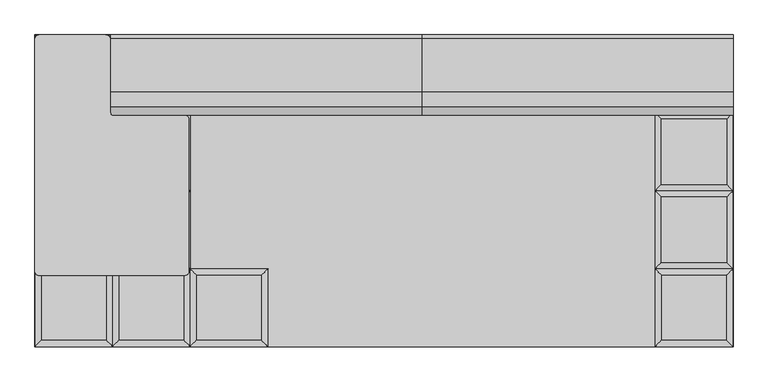
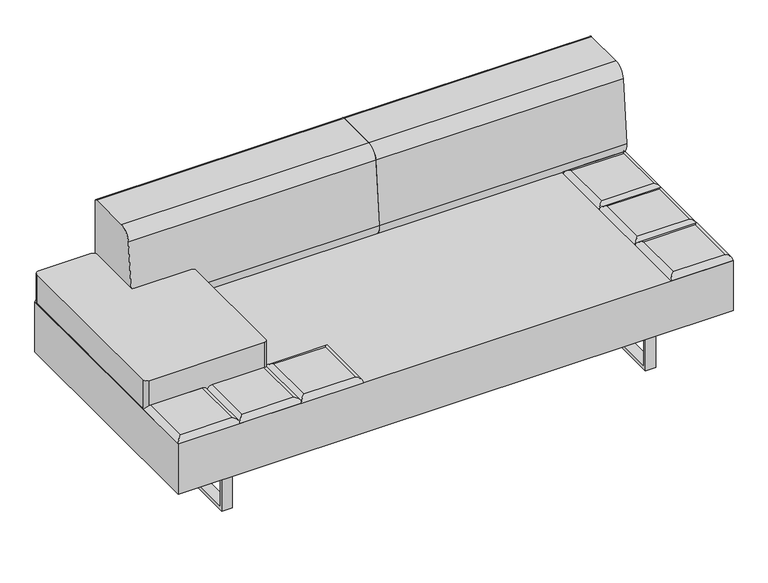
"""IFC4 building model written with IfcOpenShell, lengths in millimetres: furniture geometry."""

import ifcopenshell
import ifcopenshell.guid

model = None  # the IFC model being written
_history = None  # IfcOwnerHistory: only IFC2X3 demands one
_inside = {}  # id of a spatial element -> (the spatial element, [elements in it])
_under = {}  # id of a project, library or spatial element -> (it, [spatial elements below it])
_declared = {}  # id of a project -> (the project, [libraries it declares])
_typed = {}  # id of a type object -> (the type object, [elements of that type])
_made_of = {}  # id of a material, layer set ... -> (it, [elements and type objects made of it])


def new_model(schema):
    """Start an empty IFC model of exactly this schema.

    Asked for "IFC4X3", IfcOpenShell would pick the latest addendum, in which some entities
    have other attributes; the version numbers below select the first issue.
    IFC2X3 requires an IfcOwnerHistory on every rooted entity: one is made here for all.
    """
    global model, _history
    if schema == "IFC4X3":
        model = ifcopenshell.file(schema_version=(4, 3, 0, 0))
    else:
        model = ifcopenshell.file(schema=schema)
    _inside.clear()
    _under.clear()
    _declared.clear()
    _typed.clear()
    _made_of.clear()
    _history = None
    if model.schema == "IFC2X3":
        org = make("IfcOrganization", Name="unknown")
        user = make(
            "IfcPersonAndOrganization",
            ThePerson=make("IfcPerson", FamilyName="unknown"),
            TheOrganization=org,
        )
        app = make(
            "IfcApplication",
            ApplicationDeveloper=org,
            Version="unknown",
            ApplicationFullName="unknown",
            ApplicationIdentifier="unknown",
        )
        _history = make(
            "IfcOwnerHistory",
            OwningUser=user,
            OwningApplication=app,
            ChangeAction="ADDED",
            CreationDate=0,
        )
    return model


def make(cls, **values):
    """One entity of the class cls with the attributes given. An attribute that is None is left unset."""
    return model.create_entity(
        cls, **{name: value for name, value in values.items() if value is not None}
    )


def rooted(cls, **values):
    """An entity with a GlobalId (a new one), such as an element, a storey or a relation."""
    return make(cls, GlobalId=ifcopenshell.guid.new(), OwnerHistory=_history, **values)


def si_unit(unit_type, name, prefix=None):
    """IfcSIUnit, for example si_unit("LENGTHUNIT", "METRE", prefix="MILLI")."""
    return make("IfcSIUnit", UnitType=unit_type, Prefix=prefix, Name=name)


def assignment(units):
    """IfcUnitAssignment: the units of a project."""
    return None if units is None else make("IfcUnitAssignment", Units=units)


def point(xyz):
    """IfcCartesianPoint."""
    return None if xyz is None else make("IfcCartesianPoint", Coordinates=xyz)


def direction(xyz):
    """IfcDirection."""
    return None if xyz is None else make("IfcDirection", DirectionRatios=xyz)


def frame(location, z_axis=None, x_axis=None):
    """IfcAxis2Placement3D, a coordinate frame: its origin and axes. An axis left out is left unset."""
    return make(
        "IfcAxis2Placement3D",
        Location=point(location),
        Axis=direction(z_axis),
        RefDirection=direction(x_axis),
    )


def frame_2d(location, x_axis=None):
    """IfcAxis2Placement2D, a coordinate frame in the plane: its origin and x axis."""
    return make(
        "IfcAxis2Placement2D", Location=point(location), RefDirection=direction(x_axis)
    )


def origin():
    """The frame at (0, 0, 0) with its axes left unset."""
    return frame((0.0, 0.0, 0.0))


def place(relative_to, where):
    """IfcLocalPlacement: puts the frame where relative to a parent placement (None: the world)."""
    return make(
        "IfcLocalPlacement", PlacementRelTo=relative_to, RelativePlacement=where
    )


def context(
    kind, dimensions, precision=None, world=None, true_north=None, identifier=None
):
    """IfcGeometricRepresentationContext, for example the 3D "Model" context."""
    return make(
        "IfcGeometricRepresentationContext",
        ContextIdentifier=identifier,
        ContextType=kind,
        CoordinateSpaceDimension=dimensions,
        Precision=precision,
        WorldCoordinateSystem=world,
        TrueNorth=true_north,
    )


def project(units=None, contexts=None):
    """IfcProject with its units and contexts."""
    return rooted(
        "IfcProject",
        Name="project",
        RepresentationContexts=contexts,
        UnitsInContext=assignment(units),
    )


def spatial(cls, under=None, at=None, **own):
    """A site, building, storey or space (cls), placed at a placement, below another one or the project."""
    s = rooted(cls, ObjectPlacement=at, **own)
    if under is not None:
        _under.setdefault(under.id(), (under, []))[1].append(s)
    return s


def polyline(points):
    """IfcPolyline through the points."""
    return make("IfcPolyline", Points=[point(p) for p in points])


def circle_curve(where, radius):
    """IfcCircle in the frame where."""
    return make("IfcCircle", Position=where, Radius=radius)


def ellipse_curve(where, semi_axis1, semi_axis2):
    """IfcEllipse in the frame where."""
    return make(
        "IfcEllipse", Position=where, SemiAxis1=semi_axis1, SemiAxis2=semi_axis2
    )


def trimmed(basis, trim1, trim2, sense, master):
    """IfcTrimmedCurve: the piece of a basis curve between two trims."""
    return make(
        "IfcTrimmedCurve",
        BasisCurve=basis,
        Trim1=trim1,
        Trim2=trim2,
        SenseAgreement=sense,
        MasterRepresentation=master,
    )


def segment(curve, same_sense, transition):
    """IfcCompositeCurveSegment."""
    return make(
        "IfcCompositeCurveSegment",
        Transition=transition,
        SameSense=same_sense,
        ParentCurve=curve,
    )


def composite_curve(segments, self_intersect=None):
    """IfcCompositeCurve: segments joined end to end."""
    return make("IfcCompositeCurve", Segments=segments, SelfIntersect=self_intersect)


def outline(outer, holes=None, kind="AREA"):
    """IfcArbitraryClosedProfileDef: a profile drawn as a closed curve; with holes, ...WithVoids."""
    if holes is None:
        return make("IfcArbitraryClosedProfileDef", ProfileType=kind, OuterCurve=outer)
    return make(
        "IfcArbitraryProfileDefWithVoids",
        ProfileType=kind,
        OuterCurve=outer,
        InnerCurves=holes,
    )


def extrude(swept, where, along, depth):
    """IfcExtrudedAreaSolid: the profile swept, set in the frame where, extruded along a direction by depth."""
    return make(
        "IfcExtrudedAreaSolid",
        SweptArea=swept,
        Position=where,
        ExtrudedDirection=direction(along),
        Depth=depth,
    )


def shape(context_of_items, identifier, shape_type, items):
    """IfcShapeRepresentation: the items that make up one representation, for example the "Body"."""
    return make(
        "IfcShapeRepresentation",
        ContextOfItems=context_of_items,
        RepresentationIdentifier=identifier,
        RepresentationType=shape_type,
        Items=items,
    )


def source(mapping_origin, context_of_items, identifier, shape_type, items):
    """IfcRepresentationMap: a shape defined once, which mapped items show again and again."""
    return make(
        "IfcRepresentationMap",
        MappingOrigin=mapping_origin,
        MappedRepresentation=shape(context_of_items, identifier, shape_type, items),
    )


def transform(
    local_origin,
    x_axis=None,
    y_axis=None,
    z_axis=None,
    scale=None,
    scale2=None,
    scale3=None,
    uniform=True,
):
    """IfcCartesianTransformationOperator3D, or its non-uniform kind. x_axis, y_axis, z_axis: its Axis1, 2, 3."""
    if uniform:
        return make(
            "IfcCartesianTransformationOperator3D",
            Axis1=direction(x_axis),
            Axis2=direction(y_axis),
            LocalOrigin=point(local_origin),
            Scale=scale,
            Axis3=direction(z_axis),
        )
    return make(
        "IfcCartesianTransformationOperator3DnonUniform",
        Axis1=direction(x_axis),
        Axis2=direction(y_axis),
        LocalOrigin=point(local_origin),
        Scale=scale,
        Axis3=direction(z_axis),
        Scale2=scale2,
        Scale3=scale3,
    )


def mapped(mapping_source, mapping_target):
    """IfcMappedItem: shows the shape of a source again, moved by a transform."""
    return make(
        "IfcMappedItem", MappingSource=mapping_source, MappingTarget=mapping_target
    )


def made_of(thing, what):
    """Note that an element or type object is made of a material, layer set ...; save() writes the relation."""
    if what is not None:
        _made_of.setdefault(what.id(), (what, []))[1].append(thing)
    return thing


def element(
    cls,
    number,
    at=None,
    inside=None,
    cuts=None,
    type_object=None,
    material=None,
    context=None,
    identifier="Body",
    shape_type=None,
    held_by="IfcProductDefinitionShape",
    body=None,
    shapes=None,
    **own,
):
    """One element of the class cls, such as IfcWall. Its Tag is "e" and its number.

    at: its placement. inside: the storey or other place that contains it. cuts: it is an
    opening in that element (IfcRelVoidsElement). A single representation is given by context,
    identifier, shape_type and body (its items); several are given by shapes. held_by: the class
    of the entity that holds the representations. save() writes the other relations.
    """
    e = rooted(cls, Tag="e%d" % number, ObjectPlacement=at, **own)
    if body is not None:
        shapes = [shape(context, identifier, shape_type, body)]
    if shapes is not None:
        e.Representation = make(held_by, Representations=shapes)
    if inside is not None:
        _inside.setdefault(inside.id(), (inside, []))[1].append(e)
    if cuts is not None:
        rooted(
            "IfcRelVoidsElement", RelatingBuildingElement=cuts, RelatedOpeningElement=e
        )
    if type_object is not None:
        _typed.setdefault(type_object.id(), (type_object, []))[1].append(e)
    return made_of(e, material)


def aggregate(whole, parts):
    """IfcRelAggregates: a whole, such as a stair, and the parts it consists of."""
    return rooted("IfcRelAggregates", RelatingObject=whole, RelatedObjects=parts)


def save(model, path):
    """Write the relations noted so far, then the file.

    IfcRelAggregates (storeys below a building ...), IfcRelContainedInSpatialStructure (elements
    in a storey), IfcRelDefinesByType, IfcRelAssociatesMaterial and IfcRelDeclares: one each for
    every whole, place, type object, material and project.
    """
    for whole, parts in _under.values():
        aggregate(whole, parts)
    for where, things in _inside.values():
        rooted(
            "IfcRelContainedInSpatialStructure",
            RelatedElements=things,
            RelatingStructure=where,
        )
    for kind, things in _typed.values():
        rooted("IfcRelDefinesByType", RelatedObjects=things, RelatingType=kind)
    for what, things in _made_of.values():
        rooted("IfcRelAssociatesMaterial", RelatedObjects=things, RelatingMaterial=what)
    for by, libraries in _declared.values():
        rooted("IfcRelDeclares", RelatingContext=by, RelatedDefinitions=libraries)
    model.write(path)


def plane_surface(at):
    """IfcPlane: the flat surface through the origin of the frame at, square to its z axis."""
    return make("IfcPlane", Position=at)


def cylinder_surface(at, radius):
    """IfcCylindricalSurface: all points at the distance radius from the z axis of the frame at."""
    return make("IfcCylindricalSurface", Position=at, Radius=radius)


def advanced_brep(points, edges, surfaces, faces):
    """IfcAdvancedBrep: a solid bounded by faces that lie on surfaces and meet in shared edges.

    An edge is (start, end): straight between two places in points (the first is 0);
    or (start, end, curve); or (start, end, curve, False) where it runs against its curve.
    A face is (place in surfaces, loops), or (place, loops, False) where it looks against
    its surface's normal. A loop lists edges by number (the first is 1), with a minus sign
    where the edge is run from its end to its start. The first loop is the outer one.
    """
    corners = [point(p) for p in points]
    vertices = [make("IfcVertexPoint", VertexGeometry=c) for c in corners]
    made = []
    for start, end, *more in edges:
        made.append(
            make(
                "IfcEdgeCurve",
                EdgeStart=vertices[start],
                EdgeEnd=vertices[end],
                EdgeGeometry=more[0] if more else make("IfcPolyline", Points=[corners[start], corners[end]]),
                SameSense=more[1] if len(more) > 1 else True,
            )
        )
    hull = []
    for where, loops, *sense in faces:
        bounds = []
        for j, loop in enumerate(loops):
            ring = [make("IfcOrientedEdge", EdgeElement=made[abs(k) - 1], Orientation=k > 0) for k in loop]
            bounds.append(
                make(
                    "IfcFaceOuterBound" if j == 0 else "IfcFaceBound",
                    Bound=make("IfcEdgeLoop", EdgeList=ring),
                    Orientation=True,
                )
            )
        hull.append(make("IfcAdvancedFace", Bounds=bounds, FaceSurface=surfaces[where], SameSense=sense[0] if sense else True))
    return make("IfcAdvancedBrep", Outer=make("IfcClosedShell", CfsFaces=hull))


def furniture_69a38879(model_context):
    return source(origin(), model_context, "Body", "SolidModel", [
        advanced_brep(
        [(-330.2, -222.25, 393.7), (-348.1605122, -240.2105122, 411.6605122), (-348.1605122, -426.5394878, 411.6605122), (-330.2, -444.5, 393.7), (-534.4894878, -426.5394878, 411.6605122), (-552.45, -444.5, 393.7), (-534.4894878, -240.2105122, 411.6605122), (-552.45, -222.25, 393.7)],
        [
            (0, 1, ellipse_curve(frame((-348.1605122, -240.2105122, 393.7), z_axis=(0.7071067811865475, -0.7071067811865475, 0.0), x_axis=(0.7071067811865474, 0.7071067811865476, 0.0)), 25.4, 17.9605122)),
            (1, 2),
            (2, 3, ellipse_curve(frame((-348.1605122, -426.5394878, 393.7), z_axis=(0.7071067811865475, 0.7071067811865475, 0.0), x_axis=(-0.7071067811865474, 0.7071067811865476, 0.0)), 25.4, 17.9605122)),
            (3, 0),
            (2, 4),
            (4, 5, ellipse_curve(frame((-534.4894878, -426.5394878, 393.7), z_axis=(0.7071067811865475, -0.7071067811865475, 0.0), x_axis=(0.7071067811865476, 0.7071067811865474, 0.0)), 25.4, 17.9605122)),
            (5, 3),
            (4, 6),
            (6, 7, ellipse_curve(frame((-534.4894878, -240.2105122, 393.7), z_axis=(-0.7071067811865475, -0.7071067811865475, 0.0), x_axis=(0.7071067811865474, -0.7071067811865476, 0.0)), 25.4, 17.9605122)),
            (7, 5),
            (0, 7),
            (6, 1),
        ],
        [
            cylinder_surface(frame((-348.1605122, -222.25, 393.7), z_axis=(0.0, 1.0, 0.0), x_axis=(1.0, 0.0, 0.0)), 17.9605122),
            cylinder_surface(frame((-330.2, -426.5394878, 393.7), z_axis=(1.0, 0.0, 0.0), x_axis=(0.0, -1.0, 0.0)), 17.9605122),
            cylinder_surface(frame((-534.4894878, -444.5, 393.7), z_axis=(0.0, -1.0, 0.0), x_axis=(-1.0, 0.0, 0.0)), 17.9605122),
            cylinder_surface(frame((-552.45, -240.2105122, 393.7), z_axis=(-1.0, 0.0, 0.0), x_axis=(0.0, 1.0, 0.0)), 17.9605122),
            plane_surface(frame((-552.45, -222.25, 393.7), z_axis=(0.0, 0.0, -1.0), x_axis=(1.0, 0.0, 0.0))),
            plane_surface(frame((-534.4894878, -240.2105122, 411.6605122), z_axis=(0.0, 0.0, 1.0), x_axis=(-1.0, 0.0, 0.0))),
        ],
        [
            (0, [[1, 2, 3, 4]]),
            (1, [[-3, 5, 6, 7]]),
            (2, [[-6, 8, 9, 10]]),
            (3, [[-1, 11, -9, 12]]),
            (4, [[-4, -7, -10, -11]]),
            (5, [[-2, -12, -8, -5]]),
        ],
    ),
        advanced_brep(
        [(-568.8230122, -204.2894878, 411.6605122), (-568.8230122, -17.9605122, 411.6605122), (-755.1519878, -17.9605122, 411.6605122), (-755.1519878, -204.2894878, 411.6605122), (-550.8625, 0.0, 393.7), (-550.8625, -222.25, 393.7), (-773.1125, -222.25, 393.7), (-773.1125, 0.0, 393.7)],
        [
            (0, 1),
            (1, 2),
            (2, 3),
            (3, 0),
            (4, 5),
            (5, 6),
            (6, 7),
            (7, 4),
            (4, 1, ellipse_curve(frame((-568.8230122, -17.9605122, 393.7), z_axis=(0.7071067811865475, -0.7071067811865475, 0.0), x_axis=(0.7071067811865474, 0.7071067811865476, 0.0)), 25.4, 17.9605122)),
            (0, 5, ellipse_curve(frame((-568.8230122, -204.2894878, 393.7), z_axis=(0.7071067811865475, 0.7071067811865475, 0.0), x_axis=(-0.7071067811865474, 0.7071067811865476, 0.0)), 25.4, 17.9605122)),
            (3, 6, ellipse_curve(frame((-755.1519878, -204.2894878, 393.7), z_axis=(0.7071067811865475, -0.7071067811865475, 0.0), x_axis=(0.7071067811865476, 0.7071067811865474, 0.0)), 25.4, 17.9605122)),
            (2, 7, ellipse_curve(frame((-755.1519878, -17.9605122, 393.7), z_axis=(-0.7071067811865475, -0.7071067811865475, 0.0), x_axis=(0.7071067811865474, -0.7071067811865476, 0.0)), 25.4, 17.9605122)),
        ],
        [
            plane_surface(frame((-755.1519878, -17.9605122, 411.6605122), z_axis=(0.0, 0.0, 1.0), x_axis=(-1.0, 0.0, 0.0))),
            plane_surface(frame((-755.1519878, -17.9605122, 393.7), z_axis=(0.0, 0.0, -1.0), x_axis=(1.0, 0.0, 0.0))),
            cylinder_surface(frame((-568.8230122, 0.0, 393.7), z_axis=(0.0, 1.0, 0.0), x_axis=(1.0, 0.0, 0.0)), 17.9605122),
            cylinder_surface(frame((-550.8625, -204.2894878, 393.7), z_axis=(1.0, 0.0, 0.0), x_axis=(0.0, -1.0, 0.0)), 17.9605122),
            cylinder_surface(frame((-755.1519878, -222.25, 393.7), z_axis=(0.0, -1.0, 0.0), x_axis=(-1.0, 0.0, 0.0)), 17.9605122),
            cylinder_surface(frame((-773.1125, -17.9605122, 393.7), z_axis=(-1.0, 0.0, 0.0), x_axis=(0.0, 1.0, 0.0)), 17.9605122),
        ],
        [
            (0, [[1, 2, 3, 4]]),
            (1, [[5, 6, 7, 8]]),
            (2, [[9, -1, 10, -5]]),
            (3, [[-10, -4, 11, -6]]),
            (4, [[-11, -3, 12, -7]]),
            (5, [[-9, -8, -12, -2]]),
        ],
    ),
        advanced_brep(
        [(-568.8230122, 17.9605122, 411.6605122), (-568.8230122, 204.2894878, 411.6605122), (-755.1519878, 204.2894878, 411.6605122), (-755.1519878, 17.9605122, 411.6605122), (-550.8625, 222.25, 393.7), (-550.8625, 0.0, 393.7), (-773.1125, 0.0, 393.7), (-773.1125, 222.25, 393.7)],
        [
            (0, 1),
            (1, 2),
            (2, 3),
            (3, 0),
            (4, 5),
            (5, 6),
            (6, 7),
            (7, 4),
            (4, 1, ellipse_curve(frame((-568.8230122, 204.2894878, 393.7), z_axis=(0.7071067811865475, -0.7071067811865475, 0.0), x_axis=(0.7071067811865474, 0.7071067811865476, 0.0)), 25.4, 17.9605122)),
            (0, 5, ellipse_curve(frame((-568.8230122, 17.9605122, 393.7), z_axis=(0.7071067811865475, 0.7071067811865475, 0.0), x_axis=(-0.7071067811865474, 0.7071067811865476, 0.0)), 25.4, 17.9605122)),
            (3, 6, ellipse_curve(frame((-755.1519878, 17.9605122, 393.7), z_axis=(0.7071067811865475, -0.7071067811865475, 0.0), x_axis=(0.7071067811865476, 0.7071067811865474, 0.0)), 25.4, 17.9605122)),
            (2, 7, ellipse_curve(frame((-755.1519878, 204.2894878, 393.7), z_axis=(-0.7071067811865475, -0.7071067811865475, 0.0), x_axis=(0.7071067811865474, -0.7071067811865476, 0.0)), 25.4, 17.9605122)),
        ],
        [
            plane_surface(frame((-755.1519878, 204.2894878, 411.6605122), z_axis=(0.0, 0.0, 1.0), x_axis=(-1.0, 0.0, 0.0))),
            plane_surface(frame((-755.1519878, 204.2894878, 393.7), z_axis=(0.0, 0.0, -1.0), x_axis=(1.0, 0.0, 0.0))),
            cylinder_surface(frame((-568.8230122, 222.25, 393.7), z_axis=(0.0, 1.0, 0.0), x_axis=(1.0, 0.0, 0.0)), 17.9605122),
            cylinder_surface(frame((-550.8625, 17.9605122, 393.7), z_axis=(1.0, 0.0, 0.0), x_axis=(0.0, -1.0, 0.0)), 17.9605122),
            cylinder_surface(frame((-755.1519878, 0.0, 393.7), z_axis=(0.0, -1.0, 0.0), x_axis=(-1.0, 0.0, 0.0)), 17.9605122),
            cylinder_surface(frame((-773.1125, 204.2894878, 393.7), z_axis=(-1.0, 0.0, 0.0), x_axis=(0.0, 1.0, 0.0)), 17.9605122),
        ],
        [
            (0, [[1, 2, 3, 4]]),
            (1, [[5, 6, 7, 8]]),
            (2, [[9, -1, 10, -5]]),
            (3, [[-10, -4, 11, -6]]),
            (4, [[-11, -3, 12, -7]]),
            (5, [[-9, -8, -12, -2]]),
        ],
    ),
        advanced_brep(
        [(-568.8230122, 240.2105122, 411.6605122), (-568.8230122, 426.5394878, 411.6605122), (-755.1519878, 426.5394878, 411.6605122), (-755.1519878, 240.2105122, 411.6605122), (-550.8625, 444.5, 393.7), (-550.8625, 222.25, 393.7), (-773.1125, 222.25, 393.7), (-773.1125, 444.5, 393.7)],
        [
            (0, 1),
            (1, 2),
            (2, 3),
            (3, 0),
            (4, 5),
            (5, 6),
            (6, 7),
            (7, 4),
            (4, 1, ellipse_curve(frame((-568.8230122, 426.5394878, 393.7), z_axis=(0.7071067811865475, -0.7071067811865475, 0.0), x_axis=(0.7071067811865474, 0.7071067811865476, 0.0)), 25.4, 17.9605122)),
            (0, 5, ellipse_curve(frame((-568.8230122, 240.2105122, 393.7), z_axis=(0.7071067811865475, 0.7071067811865475, 0.0), x_axis=(-0.7071067811865474, 0.7071067811865476, 0.0)), 25.4, 17.9605122)),
            (3, 6, ellipse_curve(frame((-755.1519878, 240.2105122, 393.7), z_axis=(0.7071067811865475, -0.7071067811865475, 0.0), x_axis=(0.7071067811865476, 0.7071067811865474, 0.0)), 25.4, 17.9605122)),
            (2, 7, ellipse_curve(frame((-755.1519878, 426.5394878, 393.7), z_axis=(-0.7071067811865475, -0.7071067811865475, 0.0), x_axis=(0.7071067811865474, -0.7071067811865476, 0.0)), 25.4, 17.9605122)),
        ],
        [
            plane_surface(frame((-755.1519878, 426.5394878, 411.6605122), z_axis=(0.0, 0.0, 1.0), x_axis=(-1.0, 0.0, 0.0))),
            plane_surface(frame((-755.1519878, 426.5394878, 393.7), z_axis=(0.0, 0.0, -1.0), x_axis=(1.0, 0.0, 0.0))),
            cylinder_surface(frame((-568.8230122, 444.5, 393.7), z_axis=(0.0, 1.0, 0.0), x_axis=(1.0, 0.0, 0.0)), 17.9605122),
            cylinder_surface(frame((-550.8625, 240.2105122, 393.7), z_axis=(1.0, 0.0, 0.0), x_axis=(0.0, -1.0, 0.0)), 17.9605122),
            cylinder_surface(frame((-755.1519878, 222.25, 393.7), z_axis=(0.0, -1.0, 0.0), x_axis=(-1.0, 0.0, 0.0)), 17.9605122),
            cylinder_surface(frame((-773.1125, 426.5394878, 393.7), z_axis=(-1.0, 0.0, 0.0), x_axis=(0.0, 1.0, 0.0)), 17.9605122),
        ],
        [
            (0, [[1, 2, 3, 4]]),
            (1, [[5, 6, 7, 8]]),
            (2, [[9, -1, 10, -5]]),
            (3, [[-10, -4, 11, -6]]),
            (4, [[-11, -3, 12, -7]]),
            (5, [[-9, -8, -12, -2]]),
        ],
    ),
        advanced_brep(
        [(-550.8625, -222.25, 393.7), (-568.8230122, -240.2105122, 411.6605122), (-568.8230122, -426.5394878, 411.6605122), (-550.8625, -444.5, 393.7), (-755.1519878, -426.5394878, 411.6605122), (-773.1125, -444.5, 393.7), (-755.1519878, -240.2105122, 411.6605122), (-773.1125, -222.25, 393.7)],
        [
            (0, 1, ellipse_curve(frame((-568.8230122, -240.2105122, 393.7), z_axis=(0.7071067811865475, -0.7071067811865475, 0.0), x_axis=(0.7071067811865474, 0.7071067811865476, 0.0)), 25.4, 17.9605122)),
            (1, 2),
            (2, 3, ellipse_curve(frame((-568.8230122, -426.5394878, 393.7), z_axis=(0.7071067811865475, 0.7071067811865475, 0.0), x_axis=(-0.7071067811865474, 0.7071067811865476, 0.0)), 25.4, 17.9605122)),
            (3, 0),
            (2, 4),
            (4, 5, ellipse_curve(frame((-755.1519878, -426.5394878, 393.7), z_axis=(0.7071067811865475, -0.7071067811865475, 0.0), x_axis=(0.7071067811865476, 0.7071067811865474, 0.0)), 25.4, 17.9605122)),
            (5, 3),
            (4, 6),
            (6, 7, ellipse_curve(frame((-755.1519878, -240.2105122, 393.7), z_axis=(-0.7071067811865475, -0.7071067811865475, 0.0), x_axis=(0.7071067811865474, -0.7071067811865476, 0.0)), 25.4, 17.9605122)),
            (7, 5),
            (0, 7),
            (6, 1),
        ],
        [
            cylinder_surface(frame((-568.8230122, -222.25, 393.7), z_axis=(0.0, 1.0, 0.0), x_axis=(1.0, 0.0, 0.0)), 17.9605122),
            cylinder_surface(frame((-550.8625, -426.5394878, 393.7), z_axis=(1.0, 0.0, 0.0), x_axis=(0.0, -1.0, 0.0)), 17.9605122),
            cylinder_surface(frame((-755.1519878, -444.5, 393.7), z_axis=(0.0, -1.0, 0.0), x_axis=(-1.0, 0.0, 0.0)), 17.9605122),
            cylinder_surface(frame((-773.1125, -240.2105122, 393.7), z_axis=(-1.0, 0.0, 0.0), x_axis=(0.0, 1.0, 0.0)), 17.9605122),
            plane_surface(frame((-773.1125, -222.25, 393.7), z_axis=(0.0, 0.0, -1.0), x_axis=(1.0, 0.0, 0.0))),
            plane_surface(frame((-755.1519878, -240.2105122, 411.6605122), z_axis=(0.0, 0.0, 1.0), x_axis=(-1.0, 0.0, 0.0))),
        ],
        [
            (0, [[1, 2, 3, 4]]),
            (1, [[-3, 5, 6, 7]]),
            (2, [[-6, 8, 9, 10]]),
            (3, [[-1, 11, -9, 12]]),
            (4, [[-4, -7, -10, -11]]),
            (5, [[-2, -12, -8, -5]]),
        ],
    ),
        advanced_brep(
        [(975.8144878, -204.2894878, 411.6605122), (975.8144878, -17.9605122, 411.6605122), (789.4855122, -17.9605122, 411.6605122), (789.4855122, -204.2894878, 411.6605122), (993.775, 0.0, 393.7), (993.775, -222.25, 393.7), (771.525, -222.25, 393.7), (771.525, 0.0, 393.7)],
        [
            (0, 1),
            (1, 2),
            (2, 3),
            (3, 0),
            (4, 5),
            (5, 6),
            (6, 7),
            (7, 4),
            (4, 1, ellipse_curve(frame((975.8144878, -17.9605122, 393.7), z_axis=(0.7071067811865475, -0.7071067811865475, 0.0), x_axis=(0.7071067811865474, 0.7071067811865476, 0.0)), 25.4, 17.9605122)),
            (0, 5, ellipse_curve(frame((975.8144878, -204.2894878, 393.7), z_axis=(0.7071067811865475, 0.7071067811865475, 0.0), x_axis=(-0.7071067811865474, 0.7071067811865476, 0.0)), 25.4, 17.9605122)),
            (3, 6, ellipse_curve(frame((789.4855122, -204.2894878, 393.7), z_axis=(0.7071067811865475, -0.7071067811865475, 0.0), x_axis=(0.7071067811865476, 0.7071067811865474, 0.0)), 25.4, 17.9605122)),
            (2, 7, ellipse_curve(frame((789.4855122, -17.9605122, 393.7), z_axis=(-0.7071067811865475, -0.7071067811865475, 0.0), x_axis=(0.7071067811865474, -0.7071067811865476, 0.0)), 25.4, 17.9605122)),
        ],
        [
            plane_surface(frame((789.4855122, -17.9605122, 411.6605122), z_axis=(0.0, 0.0, 1.0), x_axis=(-1.0, 0.0, 0.0))),
            plane_surface(frame((789.4855122, -17.9605122, 393.7), z_axis=(0.0, 0.0, -1.0), x_axis=(1.0, 0.0, 0.0))),
            cylinder_surface(frame((975.8144878, 0.0, 393.7), z_axis=(0.0, 1.0, 0.0), x_axis=(1.0, 0.0, 0.0)), 17.9605122),
            cylinder_surface(frame((993.775, -204.2894878, 393.7), z_axis=(1.0, 0.0, 0.0), x_axis=(0.0, -1.0, 0.0)), 17.9605122),
            cylinder_surface(frame((789.4855122, -222.25, 393.7), z_axis=(0.0, -1.0, 0.0), x_axis=(-1.0, 0.0, 0.0)), 17.9605122),
            cylinder_surface(frame((771.525, -17.9605122, 393.7), z_axis=(-1.0, 0.0, 0.0), x_axis=(0.0, 1.0, 0.0)), 17.9605122),
        ],
        [
            (0, [[1, 2, 3, 4]]),
            (1, [[5, 6, 7, 8]]),
            (2, [[9, -1, 10, -5]]),
            (3, [[-10, -4, 11, -6]]),
            (4, [[-11, -3, 12, -7]]),
            (5, [[-9, -8, -12, -2]]),
        ],
    ),
        advanced_brep(
        [(975.8144878, 17.9605122, 411.6605122), (975.8144878, 204.2894878, 411.6605122), (789.4855122, 204.2894878, 411.6605122), (789.4855122, 17.9605122, 411.6605122), (993.775, 222.25, 393.7), (993.775, 0.0, 393.7), (771.525, 0.0, 393.7), (771.525, 222.25, 393.7)],
        [
            (0, 1),
            (1, 2),
            (2, 3),
            (3, 0),
            (4, 5),
            (5, 6),
            (6, 7),
            (7, 4),
            (4, 1, ellipse_curve(frame((975.8144878, 204.2894878, 393.7), z_axis=(0.7071067811865475, -0.7071067811865475, 0.0), x_axis=(0.7071067811865474, 0.7071067811865476, 0.0)), 25.4, 17.9605122)),
            (0, 5, ellipse_curve(frame((975.8144878, 17.9605122, 393.7), z_axis=(0.7071067811865475, 0.7071067811865475, 0.0), x_axis=(-0.7071067811865474, 0.7071067811865476, 0.0)), 25.4, 17.9605122)),
            (3, 6, ellipse_curve(frame((789.4855122, 17.9605122, 393.7), z_axis=(0.7071067811865475, -0.7071067811865475, 0.0), x_axis=(0.7071067811865476, 0.7071067811865474, 0.0)), 25.4, 17.9605122)),
            (2, 7, ellipse_curve(frame((789.4855122, 204.2894878, 393.7), z_axis=(-0.7071067811865475, -0.7071067811865475, 0.0), x_axis=(0.7071067811865474, -0.7071067811865476, 0.0)), 25.4, 17.9605122)),
        ],
        [
            plane_surface(frame((789.4855122, 204.2894878, 411.6605122), z_axis=(0.0, 0.0, 1.0), x_axis=(-1.0, 0.0, 0.0))),
            plane_surface(frame((789.4855122, 204.2894878, 393.7), z_axis=(0.0, 0.0, -1.0), x_axis=(1.0, 0.0, 0.0))),
            cylinder_surface(frame((975.8144878, 222.25, 393.7), z_axis=(0.0, 1.0, 0.0), x_axis=(1.0, 0.0, 0.0)), 17.9605122),
            cylinder_surface(frame((993.775, 17.9605122, 393.7), z_axis=(1.0, 0.0, 0.0), x_axis=(0.0, -1.0, 0.0)), 17.9605122),
            cylinder_surface(frame((789.4855122, 0.0, 393.7), z_axis=(0.0, -1.0, 0.0), x_axis=(-1.0, 0.0, 0.0)), 17.9605122),
            cylinder_surface(frame((771.525, 204.2894878, 393.7), z_axis=(-1.0, 0.0, 0.0), x_axis=(0.0, 1.0, 0.0)), 17.9605122),
        ],
        [
            (0, [[1, 2, 3, 4]]),
            (1, [[5, 6, 7, 8]]),
            (2, [[9, -1, 10, -5]]),
            (3, [[-10, -4, 11, -6]]),
            (4, [[-11, -3, 12, -7]]),
            (5, [[-9, -8, -12, -2]]),
        ],
    ),
        advanced_brep(
        [(975.8144878, 240.2105122, 411.6605122), (975.8144878, 426.5394878, 411.6605122), (789.4855122, 426.5394878, 411.6605122), (789.4855122, 240.2105122, 411.6605122), (993.775, 444.5, 393.7), (993.775, 222.25, 393.7), (771.525, 222.25, 393.7), (771.525, 444.5, 393.7)],
        [
            (0, 1),
            (1, 2),
            (2, 3),
            (3, 0),
            (4, 5),
            (5, 6),
            (6, 7),
            (7, 4),
            (4, 1, ellipse_curve(frame((975.8144878, 426.5394878, 393.7), z_axis=(0.7071067811865475, -0.7071067811865475, 0.0), x_axis=(0.7071067811865474, 0.7071067811865476, 0.0)), 25.4, 17.9605122)),
            (0, 5, ellipse_curve(frame((975.8144878, 240.2105122, 393.7), z_axis=(0.7071067811865475, 0.7071067811865475, 0.0), x_axis=(-0.7071067811865474, 0.7071067811865476, 0.0)), 25.4, 17.9605122)),
            (3, 6, ellipse_curve(frame((789.4855122, 240.2105122, 393.7), z_axis=(0.7071067811865475, -0.7071067811865475, 0.0), x_axis=(0.7071067811865476, 0.7071067811865474, 0.0)), 25.4, 17.9605122)),
            (2, 7, ellipse_curve(frame((789.4855122, 426.5394878, 393.7), z_axis=(-0.7071067811865475, -0.7071067811865475, 0.0), x_axis=(0.7071067811865474, -0.7071067811865476, 0.0)), 25.4, 17.9605122)),
        ],
        [
            plane_surface(frame((789.4855122, 426.5394878, 411.6605122), z_axis=(0.0, 0.0, 1.0), x_axis=(-1.0, 0.0, 0.0))),
            plane_surface(frame((789.4855122, 426.5394878, 393.7), z_axis=(0.0, 0.0, -1.0), x_axis=(1.0, 0.0, 0.0))),
            cylinder_surface(frame((975.8144878, 444.5, 393.7), z_axis=(0.0, 1.0, 0.0), x_axis=(1.0, 0.0, 0.0)), 17.9605122),
            cylinder_surface(frame((993.775, 240.2105122, 393.7), z_axis=(1.0, 0.0, 0.0), x_axis=(0.0, -1.0, 0.0)), 17.9605122),
            cylinder_surface(frame((789.4855122, 222.25, 393.7), z_axis=(0.0, -1.0, 0.0), x_axis=(-1.0, 0.0, 0.0)), 17.9605122),
            cylinder_surface(frame((771.525, 426.5394878, 393.7), z_axis=(-1.0, 0.0, 0.0), x_axis=(0.0, 1.0, 0.0)), 17.9605122),
        ],
        [
            (0, [[1, 2, 3, 4]]),
            (1, [[5, 6, 7, 8]]),
            (2, [[9, -1, 10, -5]]),
            (3, [[-10, -4, 11, -6]]),
            (4, [[-11, -3, 12, -7]]),
            (5, [[-9, -8, -12, -2]]),
        ],
    ),
        advanced_brep(
        [(993.775, -222.25, 393.7), (975.8144878, -240.2105122, 411.6605122), (975.8144878, -426.5394878, 411.6605122), (993.775, -444.5, 393.7), (789.4855122, -426.5394878, 411.6605122), (771.525, -444.5, 393.7), (789.4855122, -240.2105122, 411.6605122), (771.525, -222.25, 393.7)],
        [
            (0, 1, ellipse_curve(frame((975.8144878, -240.2105122, 393.7), z_axis=(0.7071067811865475, -0.7071067811865475, 0.0), x_axis=(0.7071067811865474, 0.7071067811865476, 0.0)), 25.4, 17.9605122)),
            (1, 2),
            (2, 3, ellipse_curve(frame((975.8144878, -426.5394878, 393.7), z_axis=(0.7071067811865475, 0.7071067811865475, 0.0), x_axis=(-0.7071067811865474, 0.7071067811865476, 0.0)), 25.4, 17.9605122)),
            (3, 0),
            (2, 4),
            (4, 5, ellipse_curve(frame((789.4855122, -426.5394878, 393.7), z_axis=(0.7071067811865475, -0.7071067811865475, 0.0), x_axis=(0.7071067811865476, 0.7071067811865474, 0.0)), 25.4, 17.9605122)),
            (5, 3),
            (4, 6),
            (6, 7, ellipse_curve(frame((789.4855122, -240.2105122, 393.7), z_axis=(-0.7071067811865475, -0.7071067811865475, 0.0), x_axis=(0.7071067811865474, -0.7071067811865476, 0.0)), 25.4, 17.9605122)),
            (7, 5),
            (0, 7),
            (6, 1),
        ],
        [
            cylinder_surface(frame((975.8144878, -222.25, 393.7), z_axis=(0.0, 1.0, 0.0), x_axis=(1.0, 0.0, 0.0)), 17.9605122),
            cylinder_surface(frame((993.775, -426.5394878, 393.7), z_axis=(1.0, 0.0, 0.0), x_axis=(0.0, -1.0, 0.0)), 17.9605122),
            cylinder_surface(frame((789.4855122, -444.5, 393.7), z_axis=(0.0, -1.0, 0.0), x_axis=(-1.0, 0.0, 0.0)), 17.9605122),
            cylinder_surface(frame((771.525, -240.2105122, 393.7), z_axis=(-1.0, 0.0, 0.0), x_axis=(0.0, 1.0, 0.0)), 17.9605122),
            plane_surface(frame((771.525, -222.25, 393.7), z_axis=(0.0, 0.0, -1.0), x_axis=(1.0, 0.0, 0.0))),
            plane_surface(frame((789.4855122, -240.2105122, 411.6605122), z_axis=(0.0, 0.0, 1.0), x_axis=(-1.0, 0.0, 0.0))),
        ],
        [
            (0, [[1, 2, 3, 4]]),
            (1, [[-3, 5, 6, 7]]),
            (2, [[-6, 8, 9, 10]]),
            (3, [[-1, 11, -9, 12]]),
            (4, [[-4, -7, -10, -11]]),
            (5, [[-2, -12, -8, -5]]),
        ],
    ),
        advanced_brep(
        [(-789.4855122, -204.2894878, 411.6605122), (-789.4855122, -17.9605122, 411.6605122), (-975.8144878, -17.9605122, 411.6605122), (-975.8144878, -204.2894878, 411.6605122), (-771.525, 0.0, 393.7), (-771.525, -222.25, 393.7), (-993.775, -222.25, 393.7), (-993.775, 0.0, 393.7)],
        [
            (0, 1),
            (1, 2),
            (2, 3),
            (3, 0),
            (4, 5),
            (5, 6),
            (6, 7),
            (7, 4),
            (4, 1, ellipse_curve(frame((-789.4855122, -17.9605122, 393.7), z_axis=(0.7071067811865475, -0.7071067811865475, 0.0), x_axis=(0.7071067811865474, 0.7071067811865476, 0.0)), 25.4, 17.9605122)),
            (0, 5, ellipse_curve(frame((-789.4855122, -204.2894878, 393.7), z_axis=(0.7071067811865475, 0.7071067811865475, 0.0), x_axis=(-0.7071067811865474, 0.7071067811865476, 0.0)), 25.4, 17.9605122)),
            (3, 6, ellipse_curve(frame((-975.8144878, -204.2894878, 393.7), z_axis=(0.7071067811865475, -0.7071067811865475, 0.0), x_axis=(0.7071067811865476, 0.7071067811865474, 0.0)), 25.4, 17.9605122)),
            (2, 7, ellipse_curve(frame((-975.8144878, -17.9605122, 393.7), z_axis=(-0.7071067811865475, -0.7071067811865475, 0.0), x_axis=(0.7071067811865474, -0.7071067811865476, 0.0)), 25.4, 17.9605122)),
        ],
        [
            plane_surface(frame((-975.8144878, -17.9605122, 411.6605122), z_axis=(0.0, 0.0, 1.0), x_axis=(-1.0, 0.0, 0.0))),
            plane_surface(frame((-975.8144878, -17.9605122, 393.7), z_axis=(0.0, 0.0, -1.0), x_axis=(1.0, 0.0, 0.0))),
            cylinder_surface(frame((-789.4855122, 0.0, 393.7), z_axis=(0.0, 1.0, 0.0), x_axis=(1.0, 0.0, 0.0)), 17.9605122),
            cylinder_surface(frame((-771.525, -204.2894878, 393.7), z_axis=(1.0, 0.0, 0.0), x_axis=(0.0, -1.0, 0.0)), 17.9605122),
            cylinder_surface(frame((-975.8144878, -222.25, 393.7), z_axis=(0.0, -1.0, 0.0), x_axis=(-1.0, 0.0, 0.0)), 17.9605122),
            cylinder_surface(frame((-993.775, -17.9605122, 393.7), z_axis=(-1.0, 0.0, 0.0), x_axis=(0.0, 1.0, 0.0)), 17.9605122),
        ],
        [
            (0, [[1, 2, 3, 4]]),
            (1, [[5, 6, 7, 8]]),
            (2, [[9, -1, 10, -5]]),
            (3, [[-10, -4, 11, -6]]),
            (4, [[-11, -3, 12, -7]]),
            (5, [[-9, -8, -12, -2]]),
        ],
    ),
        advanced_brep(
        [(-789.4855122, 17.9605122, 411.6605122), (-789.4855122, 204.2894878, 411.6605122), (-975.8144878, 204.2894878, 411.6605122), (-975.8144878, 17.9605122, 411.6605122), (-771.525, 222.25, 393.7), (-771.525, 0.0, 393.7), (-993.775, 0.0, 393.7), (-993.775, 222.25, 393.7)],
        [
            (0, 1),
            (1, 2),
            (2, 3),
            (3, 0),
            (4, 5),
            (5, 6),
            (6, 7),
            (7, 4),
            (4, 1, ellipse_curve(frame((-789.4855122, 204.2894878, 393.7), z_axis=(0.7071067811865475, -0.7071067811865475, 0.0), x_axis=(0.7071067811865474, 0.7071067811865476, 0.0)), 25.4, 17.9605122)),
            (0, 5, ellipse_curve(frame((-789.4855122, 17.9605122, 393.7), z_axis=(0.7071067811865475, 0.7071067811865475, 0.0), x_axis=(-0.7071067811865474, 0.7071067811865476, 0.0)), 25.4, 17.9605122)),
            (3, 6, ellipse_curve(frame((-975.8144878, 17.9605122, 393.7), z_axis=(0.7071067811865475, -0.7071067811865475, 0.0), x_axis=(0.7071067811865476, 0.7071067811865474, 0.0)), 25.4, 17.9605122)),
            (2, 7, ellipse_curve(frame((-975.8144878, 204.2894878, 393.7), z_axis=(-0.7071067811865475, -0.7071067811865475, 0.0), x_axis=(0.7071067811865474, -0.7071067811865476, 0.0)), 25.4, 17.9605122)),
        ],
        [
            plane_surface(frame((-975.8144878, 204.2894878, 411.6605122), z_axis=(0.0, 0.0, 1.0), x_axis=(-1.0, 0.0, 0.0))),
            plane_surface(frame((-975.8144878, 204.2894878, 393.7), z_axis=(0.0, 0.0, -1.0), x_axis=(1.0, 0.0, 0.0))),
            cylinder_surface(frame((-789.4855122, 222.25, 393.7), z_axis=(0.0, 1.0, 0.0), x_axis=(1.0, 0.0, 0.0)), 17.9605122),
            cylinder_surface(frame((-771.525, 17.9605122, 393.7), z_axis=(1.0, 0.0, 0.0), x_axis=(0.0, -1.0, 0.0)), 17.9605122),
            cylinder_surface(frame((-975.8144878, 0.0, 393.7), z_axis=(0.0, -1.0, 0.0), x_axis=(-1.0, 0.0, 0.0)), 17.9605122),
            cylinder_surface(frame((-993.775, 204.2894878, 393.7), z_axis=(-1.0, 0.0, 0.0), x_axis=(0.0, 1.0, 0.0)), 17.9605122),
        ],
        [
            (0, [[1, 2, 3, 4]]),
            (1, [[5, 6, 7, 8]]),
            (2, [[9, -1, 10, -5]]),
            (3, [[-10, -4, 11, -6]]),
            (4, [[-11, -3, 12, -7]]),
            (5, [[-9, -8, -12, -2]]),
        ],
    ),
        advanced_brep(
        [(-789.4855122, 240.2105122, 411.6605122), (-789.4855122, 426.5394878, 411.6605122), (-975.8144878, 426.5394878, 411.6605122), (-975.8144878, 240.2105122, 411.6605122), (-771.525, 444.5, 393.7), (-771.525, 222.25, 393.7), (-993.775, 222.25, 393.7), (-993.775, 444.5, 393.7)],
        [
            (0, 1),
            (1, 2),
            (2, 3),
            (3, 0),
            (4, 5),
            (5, 6),
            (6, 7),
            (7, 4),
            (4, 1, ellipse_curve(frame((-789.4855122, 426.5394878, 393.7), z_axis=(0.7071067811865475, -0.7071067811865475, 0.0), x_axis=(0.7071067811865474, 0.7071067811865476, 0.0)), 25.4, 17.9605122)),
            (0, 5, ellipse_curve(frame((-789.4855122, 240.2105122, 393.7), z_axis=(0.7071067811865475, 0.7071067811865475, 0.0), x_axis=(-0.7071067811865474, 0.7071067811865476, 0.0)), 25.4, 17.9605122)),
            (3, 6, ellipse_curve(frame((-975.8144878, 240.2105122, 393.7), z_axis=(0.7071067811865475, -0.7071067811865475, 0.0), x_axis=(0.7071067811865476, 0.7071067811865474, 0.0)), 25.4, 17.9605122)),
            (2, 7, ellipse_curve(frame((-975.8144878, 426.5394878, 393.7), z_axis=(-0.7071067811865475, -0.7071067811865475, 0.0), x_axis=(0.7071067811865474, -0.7071067811865476, 0.0)), 25.4, 17.9605122)),
        ],
        [
            plane_surface(frame((-975.8144878, 426.5394878, 411.6605122), z_axis=(0.0, 0.0, 1.0), x_axis=(-1.0, 0.0, 0.0))),
            plane_surface(frame((-975.8144878, 426.5394878, 393.7), z_axis=(0.0, 0.0, -1.0), x_axis=(1.0, 0.0, 0.0))),
            cylinder_surface(frame((-789.4855122, 444.5, 393.7), z_axis=(0.0, 1.0, 0.0), x_axis=(1.0, 0.0, 0.0)), 17.9605122),
            cylinder_surface(frame((-771.525, 240.2105122, 393.7), z_axis=(1.0, 0.0, 0.0), x_axis=(0.0, -1.0, 0.0)), 17.9605122),
            cylinder_surface(frame((-975.8144878, 222.25, 393.7), z_axis=(0.0, -1.0, 0.0), x_axis=(-1.0, 0.0, 0.0)), 17.9605122),
            cylinder_surface(frame((-993.775, 426.5394878, 393.7), z_axis=(-1.0, 0.0, 0.0), x_axis=(0.0, 1.0, 0.0)), 17.9605122),
        ],
        [
            (0, [[1, 2, 3, 4]]),
            (1, [[5, 6, 7, 8]]),
            (2, [[9, -1, 10, -5]]),
            (3, [[-10, -4, 11, -6]]),
            (4, [[-11, -3, 12, -7]]),
            (5, [[-9, -8, -12, -2]]),
        ],
    ),
        advanced_brep(
        [(-771.525, -222.25, 393.7), (-789.4855122, -240.2105122, 411.6605122), (-789.4855122, -426.5394878, 411.6605122), (-771.525, -444.5, 393.7), (-975.8144878, -426.5394878, 411.6605122), (-993.775, -444.5, 393.7), (-975.8144878, -240.2105122, 411.6605122), (-993.775, -222.25, 393.7)],
        [
            (0, 1, ellipse_curve(frame((-789.4855122, -240.2105122, 393.7), z_axis=(0.7071067811865475, -0.7071067811865475, 0.0), x_axis=(0.7071067811865474, 0.7071067811865476, 0.0)), 25.4, 17.9605122)),
            (1, 2),
            (2, 3, ellipse_curve(frame((-789.4855122, -426.5394878, 393.7), z_axis=(0.7071067811865475, 0.7071067811865475, 0.0), x_axis=(-0.7071067811865474, 0.7071067811865476, 0.0)), 25.4, 17.9605122)),
            (3, 0),
            (2, 4),
            (4, 5, ellipse_curve(frame((-975.8144878, -426.5394878, 393.7), z_axis=(0.7071067811865475, -0.7071067811865475, 0.0), x_axis=(0.7071067811865476, 0.7071067811865474, 0.0)), 25.4, 17.9605122)),
            (5, 3),
            (4, 6),
            (6, 7, ellipse_curve(frame((-975.8144878, -240.2105122, 393.7), z_axis=(-0.7071067811865475, -0.7071067811865475, 0.0), x_axis=(0.7071067811865474, -0.7071067811865476, 0.0)), 25.4, 17.9605122)),
            (7, 5),
            (0, 7),
            (6, 1),
        ],
        [
            cylinder_surface(frame((-789.4855122, -222.25, 393.7), z_axis=(0.0, 1.0, 0.0), x_axis=(1.0, 0.0, 0.0)), 17.9605122),
            cylinder_surface(frame((-771.525, -426.5394878, 393.7), z_axis=(1.0, 0.0, 0.0), x_axis=(0.0, -1.0, 0.0)), 17.9605122),
            cylinder_surface(frame((-975.8144878, -444.5, 393.7), z_axis=(0.0, -1.0, 0.0), x_axis=(-1.0, 0.0, 0.0)), 17.9605122),
            cylinder_surface(frame((-993.775, -240.2105122, 393.7), z_axis=(-1.0, 0.0, 0.0), x_axis=(0.0, 1.0, 0.0)), 17.9605122),
            plane_surface(frame((-993.775, -222.25, 393.7), z_axis=(0.0, 0.0, -1.0), x_axis=(1.0, 0.0, 0.0))),
            plane_surface(frame((-975.8144878, -240.2105122, 411.6605122), z_axis=(0.0, 0.0, 1.0), x_axis=(-1.0, 0.0, 0.0))),
        ],
        [
            (0, [[1, 2, 3, 4]]),
            (1, [[-3, 5, 6, 7]]),
            (2, [[-6, 8, 9, 10]]),
            (3, [[-1, 11, -9, 12]]),
            (4, [[-4, -7, -10, -11]]),
            (5, [[-2, -12, -8, -5]]),
        ],
    ),
        extrude(outline(polyline([(-339.4724839, 0.0), (-339.4724839, 203.2), (341.6588694, 203.2), (341.6588694, 0.0), (-339.4724839, 0.0)]), holes=[polyline([(-326.7724839, 190.5), (-326.7724839, 12.7), (328.9588694, 12.7), (328.9588694, 190.5), (-326.7724839, 190.5)])]), frame((-777.875, 0.0, 0.0), z_axis=(1.0, 0.0, 0.0), x_axis=(0.0, 1.0, 0.0)), (0.0, 0.0, 1.0), 38.0999535),
        extrude(outline(polyline([(-339.4724839, 203.2), (341.6588694, 203.2), (341.6588694, 0.0), (-339.4724839, 0.0), (-339.4724839, 203.2)]), holes=[polyline([(-326.7724839, 12.7), (328.9588694, 12.7), (328.9588694, 190.5), (-326.7724839, 190.5), (-326.7724839, 12.7)])]), frame((739.7750465, 0.0, 0.0), z_axis=(1.0, 0.0, 0.0), x_axis=(0.0, 1.0, 0.0)), (0.0, 0.0, 1.0), 38.0999535),
        extrude(outline(polyline([(993.775, 444.5), (993.775, -444.5), (-993.775, -444.5), (-993.775, 444.5), (993.775, 444.5)])), frame((0.0, 0.0, 203.2), z_axis=(0.0, 0.0, 1.0), x_axis=(1.0, 0.0, 0.0)), (0.0, 0.0, 1.0), 190.5),
        extrude(outline(composite_curve([segment(polyline([(444.5, 393.7), (232.6067514, 393.7)]), True, "CONTINUOUS"), segment(trimmed(circle_curve(frame_2d((263.4189927, 430.9463408)), 48.3392606), [point((232.6067514, 393.7))], [point((215.3053904, 435.6116811))], False, "CARTESIAN"), True, "CONTINUOUS"), segment(polyline([(215.3053904, 435.6116811), (237.9512344, 669.1580194)]), True, "CONTINUOUS"), segment(trimmed(circle_curve(frame_2d((282.1937319, 664.8680412)), 44.45), [point((237.9512344, 669.1580194))], [point((282.1937319, 709.3180412))], False, "CARTESIAN"), True, "CONTINUOUS"), segment(polyline([(282.1937319, 709.3180412), (434.544558, 709.3180412)]), True, "CONTINUOUS"), segment(trimmed(circle_curve(frame_2d((434.544558, 699.3625993)), 9.955442), [point((434.544558, 709.3180412))], [point((444.5, 699.3625993))], False, "CARTESIAN"), True, "CONTINUOUS"), segment(polyline([(444.5, 699.3625993), (444.5, 393.7)]), True, "CONTINUOUS")], self_intersect=False)), frame((-777.875, 0.0, 0.0), z_axis=(1.0, 0.0, 0.0), x_axis=(0.0, 1.0, 0.0)), (0.0, 0.0, 1.0), 885.825),
        extrude(outline(composite_curve([segment(polyline([(-993.775, -228.6712032), (-993.775, 431.8166397)]), True, "CONTINUOUS"), segment(trimmed(circle_curve(frame_2d((-981.0916397, 431.8166397)), 12.6833603), [point((-993.775, 431.8166397))], [point((-981.0916397, 444.5))], False, "CARTESIAN"), True, "CONTINUOUS"), segment(polyline([(-981.0916397, 444.5), (-792.8853596, 444.5)]), True, "CONTINUOUS"), segment(trimmed(circle_curve(frame_2d((-792.8853596, 429.515495)), 14.984505), [point((-792.8853596, 444.5))], [point((-777.9008546, 429.515495))], False, "CARTESIAN"), True, "CONTINUOUS"), segment(polyline([(-777.9008546, 429.515495), (-777.9008546, 216.4627745)]), True, "CONTINUOUS"), segment(trimmed(circle_curve(frame_2d((-769.9214244, 235.6749267)), 20.8033194), [point((-777.9008546, 216.4627745))], [point((-766.9861124, 215.079732))], True, "CARTESIAN"), True, "CONTINUOUS"), segment(polyline([(-766.9861124, 215.079732), (-567.1248743, 215.079732)]), True, "CONTINUOUS"), segment(trimmed(circle_curve(frame_2d((-567.1248743, 203.5240696)), 11.5556624), [point((-567.1248743, 215.079732))], [point((-555.5692118, 203.5240696))], False, "CARTESIAN"), True, "CONTINUOUS"), segment(polyline([(-555.5692118, 203.5240696), (-555.5692118, -228.885974)]), True, "CONTINUOUS"), segment(trimmed(circle_curve(frame_2d((-567.9832379, -228.885974)), 12.414026), [point((-555.5692118, -228.885974))], [point((-567.9832379, -241.3))], False, "CARTESIAN"), True, "CONTINUOUS"), segment(polyline([(-567.9832379, -241.3), (-981.1462032, -241.3)]), True, "CONTINUOUS"), segment(trimmed(circle_curve(frame_2d((-981.1462032, -228.6712032)), 12.6287968), [point((-981.1462032, -241.3))], [point((-993.775, -228.6712032))], False, "CARTESIAN"), True, "CONTINUOUS")], self_intersect=False)), frame((0.0, 0.0, 393.7), z_axis=(0.0, 0.0, 1.0), x_axis=(1.0, 0.0, 0.0)), (0.0, 0.0, 1.0), 111.7620251),
        extrude(outline(composite_curve([segment(polyline([(444.5, 393.7), (232.6067514, 393.7)]), True, "CONTINUOUS"), segment(trimmed(circle_curve(frame_2d((263.4189927, 430.9463408)), 48.3392606), [point((232.6067514, 393.7))], [point((215.3053904, 435.6116811))], False, "CARTESIAN"), True, "CONTINUOUS"), segment(polyline([(215.3053904, 435.6116811), (237.9512344, 669.1580194)]), True, "CONTINUOUS"), segment(trimmed(circle_curve(frame_2d((282.1937319, 664.8680412)), 44.45), [point((237.9512344, 669.1580194))], [point((282.1937319, 709.3180412))], False, "CARTESIAN"), True, "CONTINUOUS"), segment(polyline([(282.1937319, 709.3180412), (434.544558, 709.3180412)]), True, "CONTINUOUS"), segment(trimmed(circle_curve(frame_2d((434.544558, 699.3625993)), 9.955442), [point((434.544558, 709.3180412))], [point((444.5, 699.3625993))], False, "CARTESIAN"), True, "CONTINUOUS"), segment(polyline([(444.5, 699.3625993), (444.5, 393.7)]), True, "CONTINUOUS")], self_intersect=False)), frame((107.95, 0.0, 0.0), z_axis=(1.0, 0.0, 0.0), x_axis=(0.0, 1.0, 0.0)), (0.0, 0.0, 1.0), 885.825),
    ])


if __name__ == "__main__":
    model = new_model("IFC4")
    model_context = context("Model", 3, world=origin())
    ifc_project = project(units=[si_unit("LENGTHUNIT", "METRE", prefix="MILLI")], contexts=[model_context])
    site = spatial("IfcSite", under=ifc_project)
    building = spatial("IfcBuilding", under=site)
    placement = place(None, origin())
    furniture_shape = furniture_69a38879(model_context)
    element("IfcFurniture", 1, at=placement, inside=building, context=model_context, shape_type="MappedRepresentation", body=[
        mapped(furniture_shape, transform((0.0, 0.0, 0.0), x_axis=(1.0, 0.0, 0.0), y_axis=(0.0, 1.0, 0.0), z_axis=(0.0, 0.0, 1.0))),
    ])
    save(model, "model.ifc")
